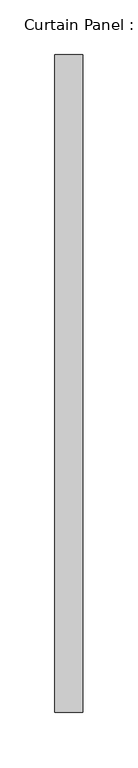
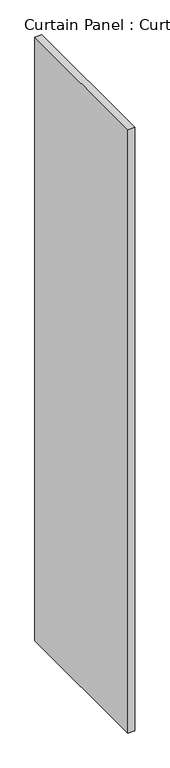
"""IFC4 building model written with IfcOpenShell, lengths in millimetres: plate geometry, Curtain Panel : Curtain Panel."""

from ifc_helpers import new_model, si_unit, frame, origin, place, context, project, spatial, polyline, outline, extrude, source, transform, mapped, element, save


def curtain_panel_curtain_panel_34eb6777(model_context):
    return source(origin(), model_context, "Body", "SweptSolid", [
        extrude(outline(polyline([(-35292.8444373, 506.5314396), (-35292.8444373, -91.9600874), (-35318.2444373, -91.9600874), (-35318.2444373, 506.5314396), (-35292.8444373, 506.5314396)])), frame((0.0, 0.0, -622.8319765), z_axis=(0.0, 0.0, 1.0), x_axis=(1.0, 0.0, 0.0)), (0.0, 0.0, 1.0), 2371.5747552),
    ])


if __name__ == "__main__":
    model = new_model("IFC4")
    model_context = context("Model", 3, world=origin())
    ifc_project = project(units=[si_unit("LENGTHUNIT", "METRE", prefix="MILLI")], contexts=[model_context])
    site = spatial("IfcSite", under=ifc_project)
    building = spatial("IfcBuilding", under=site)
    placement = place(None, origin())
    curtain_panel_curtain_panel_shape = curtain_panel_curtain_panel_34eb6777(model_context)
    element("IfcPlate", 1, ObjectType="Curtain Panel : Curtain Panel", at=placement, inside=building, context=model_context, shape_type="MappedRepresentation", body=[
        mapped(curtain_panel_curtain_panel_shape, transform((0.0, 0.0, 0.0), x_axis=(1.0, 0.0, 0.0), y_axis=(0.0, 1.0, 0.0), z_axis=(0.0, 0.0, 1.0))),
    ])
    save(model, "model.ifc")
